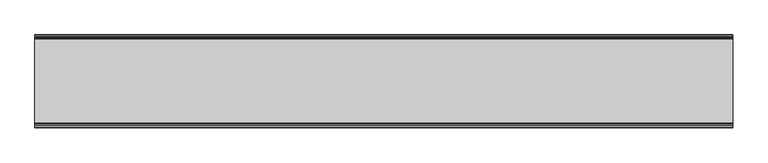
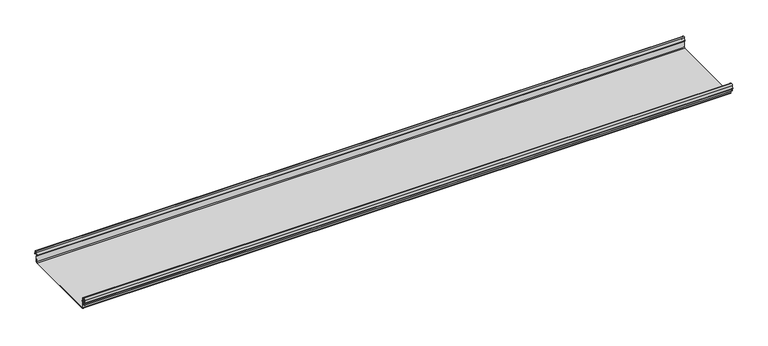
"""IFC4 building model written with IfcOpenShell, lengths in millimetres: beam geometry."""

from ifc_helpers import new_model, si_unit, frame, origin, place, context, project, spatial, polyline, circle_curve, source, transform, mapped, element, save
from ifc_brep_helpers import plane_surface, cylinder_surface, revolved_surface, advanced_brep


def beam_be68fe31(model_context):
    return source(origin(), model_context, "Body", "AdvancedBrep", [
        advanced_brep(
        [(1331.1529572, 174.5298471, 17.4730576), (1331.1529572, 169.9958217, 21.2486363), (1331.1529572, 165.4890072, 17.6093124), (1331.1529572, 163.0420077, 6.2503755), (1331.1529572, 164.7006671, 3.7959761), (1331.1529572, 165.8698319, 2.0849359), (1331.1529572, 164.3793103, -21.3247551), (1331.1529572, 160.6848586, -24.7896475), (1331.1529572, -159.5640942, -24.7896475), (1331.1529572, -163.2568715, -21.3207217), (1331.1529572, -164.7263748, 2.1632779), (1331.1529572, -164.0984471, 3.0966958), (1331.1529572, -161.8868093, 6.1624874), (1331.1529572, -162.770348, 17.3389905), (1331.1529572, -170.0, 24.0196704), (1331.1529572, -177.229652, 17.3389905), (1331.1529572, -178.1131907, 6.1624874), (1331.1529572, -175.9015529, 3.0966958), (1331.1529572, -175.2736252, 2.1632779), (1331.1529572, -175.6653397, -4.0966758), (1331.1529572, -174.6633838, -4.0966758), (1331.1529572, -174.255975, 2.4140875), (1331.1529572, -175.661391, 4.0675496), (1331.1529572, -177.1158116, 6.08368), (1331.1529572, -176.2261211, 17.3379999), (1331.1529572, -170.0, 23.0196704), (1331.1529572, -163.767144, 17.2589936), (1331.1529572, -162.8795452, 6.0037927), (1331.1529572, -164.338609, 4.0675496), (1331.1529572, -165.744025, 2.4140875), (1331.1529572, -164.2549195, -21.3831743), (1331.1529572, -159.5640942, -25.7896475), (1331.1529572, 160.6846135, -25.7896475), (1331.1529572, 165.3772895, -21.3882975), (1331.1529572, 166.868024, 2.0247376), (1331.1529572, 164.9644432, 4.7613501), (1331.1529572, 164.0277999, 6.0779003), (1331.1529572, 166.4434849, 17.2822335), (1331.1529572, 170.0063307, 20.2496221), (1331.1529572, 173.4803249, 17.6539317), (1331.1529572, 175.5075757, 6.5459412), (1331.1529572, 176.5074356, 6.7299959), (-1331.1529572, 174.5298471, 17.4730576), (-1331.1529572, 176.5074356, 6.7299959), (-1331.1529572, 175.5075757, 6.5459412), (-1331.1529572, 173.4803249, 17.6539317), (-1331.1529572, 170.0063307, 20.2496221), (-1331.1529572, 166.4434849, 17.2822335), (-1331.1529572, 164.0277999, 6.0779003), (-1331.1529572, 164.9644432, 4.7613501), (-1331.1529572, 166.868024, 2.0247376), (-1331.1529572, 165.3772895, -21.3882975), (-1331.1529572, 160.6846135, -25.7896475), (-1331.1529572, -159.5640942, -25.7896475), (-1331.1529572, -164.2549195, -21.3831743), (-1331.1529572, -165.744025, 2.4140875), (-1331.1529572, -164.338609, 4.0675496), (-1331.1529572, -162.8795452, 6.0037927), (-1331.1529572, -163.767144, 17.2589936), (-1331.1529572, -170.0, 23.0196704), (-1331.1529572, -176.2261211, 17.3379999), (-1331.1529572, -177.1158116, 6.08368), (-1331.1529572, -175.661391, 4.0675496), (-1331.1529572, -174.255975, 2.4140875), (-1331.1529572, -174.6633838, -4.0966758), (-1331.1529572, -175.6653397, -4.0966758), (-1331.1529572, -175.2736252, 2.1632779), (-1331.1529572, -175.9015529, 3.0966958), (-1331.1529572, -178.1066021, 6.2458324), (-1331.1529572, -177.229652, 17.3389905), (-1331.1529572, -170.0, 24.0196704), (-1331.1529572, -162.770348, 17.3389905), (-1331.1529572, -161.8868093, 6.1624874), (-1331.1529572, -164.0984471, 3.0966958), (-1331.1529572, -164.7263748, 2.1632779), (-1331.1529572, -163.2568715, -21.3207217), (-1331.1529572, -159.5640942, -24.7896475), (-1331.1529572, 160.6848586, -24.7896475), (-1331.1529572, 164.3793103, -21.3247551), (-1331.1529572, 165.8698319, 2.0849359), (-1331.1529572, 164.7006671, 3.7959761), (-1331.1529572, 163.0420077, 6.2503755), (-1331.1529572, 165.4890072, 17.6093124), (-1331.1529572, 169.9958217, 21.2486363)],
        [
            (0, 1, circle_curve(frame((1331.1529572, 169.9958217, 16.6384317), z_axis=(1.0, 0.0, 0.0), x_axis=(0.0, 1.0, 0.0)), 4.6102046)),
            (1, 2, circle_curve(frame((1331.1529572, 169.9958217, 16.6384317), z_axis=(1.0, 0.0, 0.0), x_axis=(0.0, 0.2105938444020083, 0.9775736456656259)), 4.6102046)),
            (2, 3),
            (3, 4, circle_curve(frame((1331.1529572, 165.4262002, 6.073937), z_axis=(1.0, 0.0, 0.0), x_axis=(0.0, -0.9528378408797884, 0.30347989881958104)), 2.3907121)),
            (4, 5, circle_curve(frame((1331.1529572, 164.1897695, 2.1919074), z_axis=(-1.0, 0.0, 0.0), x_axis=(0.0, 0.06354246328302078, 0.9979791357337717)), 1.6834645)),
            (5, 6),
            (6, 7, circle_curve(frame((1331.1529572, 160.6867875, -21.089648), z_axis=(-1.0, 0.0, 0.0), x_axis=(0.0, 0.9999998641088232, -0.0005213274739325337)), 3.7)),
            (7, 8),
            (8, 9, circle_curve(frame((1331.1529572, -159.5640942, -21.0896475), z_axis=(-1.0, 0.0, 0.0), x_axis=(0.0, 0.062452508687223206, -0.9980479368039755)), 3.7)),
            (9, 10),
            (10, 11, circle_curve(frame((1331.1529572, -163.8044049, 2.2209698), z_axis=(-1.0, 0.0, 0.0), x_axis=(0.0, -0.9479881328261025, -0.31830567073314897)), 0.9237732)),
            (11, 12, circle_curve(frame((1331.1529572, -164.7984694, 5.9323112), z_axis=(1.0, 0.0, 0.0), x_axis=(0.0, 0.07880737243916666, -0.9968898625471294)), 2.9207441)),
            (12, 13),
            (13, 14, circle_curve(frame((1331.1529572, -170.0, 16.7674631), z_axis=(1.0, 0.0, 0.0), x_axis=(0.0, 1.0, 0.0)), 7.2522073)),
            (14, 15, circle_curve(frame((1331.1529572, -170.0, 16.7674631), z_axis=(1.0, 0.0, 0.0), x_axis=(0.0, 0.07880737243912425, 0.9968898625471327)), 7.2522073)),
            (15, 16),
            (16, 17, circle_curve(frame((1331.1529572, -175.2001089, 5.9344165), z_axis=(1.0, 0.0, 0.0), x_axis=(0.0, -0.9707819351134729, 0.2399634023290655)), 2.9231288)),
            (17, 18, circle_curve(frame((1331.1529572, -176.1025472, 2.2835649), z_axis=(-1.0, 0.0, 0.0), x_axis=(0.0, 0.14360843272178178, 0.9896345881441257)), 0.8376041)),
            (18, 19),
            (19, 20, circle_curve(frame((1331.1529572, -175.1643617, -4.0966758), z_axis=(1.0, 0.0, 0.0), x_axis=(0.0, 0.0, -1.0)), 0.5009779)),
            (20, 21),
            (21, 22, circle_curve(frame((1331.1529572, -176.1062911, 2.2653702), z_axis=(1.0, 0.0, 0.0), x_axis=(0.0, 0.9708537722163966, -0.23967259537375799)), 1.856283)),
            (22, 23, circle_curve(frame((1331.1529572, -175.2010412, 5.9323112), z_axis=(-1.0, 0.0, 0.0), x_axis=(0.0, -0.07880737243914376, -0.9968898625471312)), 1.9207441)),
            (23, 24),
            (24, 25, circle_curve(frame((1331.1529572, -170.0770494, 16.8518958), z_axis=(-1.0, 0.0, 0.0), x_axis=(0.0, -0.9999219808421378, 0.012491286112139365)), 6.1682558)),
            (25, 26, circle_curve(frame((1331.1529572, -170.0791743, 16.6817991), z_axis=(-1.0, 0.0, 0.0), x_axis=(0.0, -0.09106361391821856, 0.9958450774192508)), 6.3383658)),
            (26, 27),
            (27, 28, circle_curve(frame((1331.1529572, -164.70299, 5.8599936), z_axis=(-1.0, 0.0, 0.0), x_axis=(0.0, 0.9799562955839813, 0.19921259685401593)), 1.8291061)),
            (28, 29, circle_curve(frame((1331.1529572, -163.9886548, 2.3460727), z_axis=(1.0, 0.0, 0.0), x_axis=(0.0, 0.03871763325448635, 0.9992501913310655)), 1.7566874)),
            (29, 30),
            (30, 31, circle_curve(frame((1331.1529572, -159.5640942, -21.0896475), z_axis=(1.0, 0.0, 0.0), x_axis=(0.0, -1.0, 0.0)), 4.7)),
            (31, 32),
            (32, 33, circle_curve(frame((1331.1529572, 160.6846135, -21.0873301), z_axis=(1.0, 0.0, 0.0), x_axis=(0.0, -0.06400407594283139, -0.997949637137418)), 4.7023174)),
            (33, 34),
            (34, 35, circle_curve(frame((1331.1529572, 164.1939121, 2.1950013), z_axis=(1.0, 0.0, 0.0), x_axis=(0.0, 0.9577619201002135, -0.2875623487279797)), 2.6795268)),
            (35, 36, circle_curve(frame((1331.1529572, 165.0972859, 5.8473161), z_axis=(-1.0, 0.0, 0.0), x_axis=(0.0, -0.210759855052358, -0.9775378680635902)), 1.094061)),
            (36, 37),
            (37, 38, circle_curve(frame((1331.1529572, 170.0063307, 16.627032), z_axis=(-1.0, 0.0, 0.0), x_axis=(0.0, -1.0, 0.0)), 3.6225901)),
            (38, 39, circle_curve(frame((1331.1529572, 170.0063307, 16.627032), z_axis=(-1.0, 0.0, 0.0), x_axis=(0.0, -0.2834711363957483, 0.9589807687490417)), 3.6225901)),
            (39, 40),
            (40, 41, circle_curve(frame((1331.1529572, 176.0075057, 6.6379685), z_axis=(1.0, 0.0, 0.0), x_axis=(0.0, 0.18103878268247353, -0.9834759575937014)), 0.5083296)),
            (41, 0),
            (42, 43),
            (43, 44, circle_curve(frame((-1331.1529572, 176.0075057, 6.6379685), z_axis=(-1.0, 0.0, 0.0), x_axis=(0.0, 0.18103878268247353, -0.9834759575937014)), 0.5083296)),
            (44, 45),
            (45, 46, circle_curve(frame((-1331.1529572, 170.0063307, 16.627032), z_axis=(1.0, 0.0, 0.0), x_axis=(0.0, -0.2834711363957483, 0.9589807687490417)), 3.6225901)),
            (46, 47, circle_curve(frame((-1331.1529572, 170.0063307, 16.627032), z_axis=(1.0, 0.0, 0.0), x_axis=(0.0, -1.0, 0.0)), 3.6225901)),
            (47, 48),
            (48, 49, circle_curve(frame((-1331.1529572, 165.0972859, 5.8473161), z_axis=(1.0, 0.0, 0.0), x_axis=(0.0, -0.210759855052358, -0.9775378680635902)), 1.094061)),
            (49, 50, circle_curve(frame((-1331.1529572, 164.1939121, 2.1950013), z_axis=(-1.0, 0.0, 0.0), x_axis=(0.0, 0.9577619201002135, -0.2875623487279797)), 2.6795268)),
            (50, 51),
            (51, 52, circle_curve(frame((-1331.1529572, 160.6846135, -21.0873301), z_axis=(-1.0, 0.0, 0.0), x_axis=(0.0, -0.06400407594283139, -0.997949637137418)), 4.7023174)),
            (52, 53),
            (53, 54, circle_curve(frame((-1331.1529572, -159.5640942, -21.0896475), z_axis=(-1.0, 0.0, 0.0), x_axis=(0.0, -1.0, 0.0)), 4.7)),
            (54, 55),
            (55, 56, circle_curve(frame((-1331.1529572, -163.9886548, 2.3460727), z_axis=(-1.0, 0.0, 0.0), x_axis=(0.0, 0.03871763325448635, 0.9992501913310655)), 1.7566874)),
            (56, 57, circle_curve(frame((-1331.1529572, -164.70299, 5.8599936), z_axis=(1.0, 0.0, 0.0), x_axis=(0.0, 0.9799562955839813, 0.19921259685401593)), 1.8291061)),
            (57, 58),
            (58, 59, circle_curve(frame((-1331.1529572, -170.0791743, 16.6817991), z_axis=(1.0, 0.0, 0.0), x_axis=(0.0, -0.09106361391821856, 0.9958450774192508)), 6.3383658)),
            (59, 60, circle_curve(frame((-1331.1529572, -170.0770494, 16.8518958), z_axis=(1.0, 0.0, 0.0), x_axis=(0.0, -0.9999219808421378, 0.012491286112139365)), 6.1682558)),
            (60, 61),
            (61, 62, circle_curve(frame((-1331.1529572, -175.2010412, 5.9323112), z_axis=(1.0, 0.0, 0.0), x_axis=(0.0, -0.07880737243914376, -0.9968898625471312)), 1.9207441)),
            (62, 63, circle_curve(frame((-1331.1529572, -176.1062911, 2.2653702), z_axis=(-1.0, 0.0, 0.0), x_axis=(0.0, 0.9708537722163966, -0.23967259537375799)), 1.856283)),
            (63, 64),
            (64, 65, circle_curve(frame((-1331.1529572, -175.1643617, -4.0966758), z_axis=(-1.0, 0.0, 0.0), x_axis=(0.0, 0.0, -1.0)), 0.5009779)),
            (65, 66),
            (66, 67, circle_curve(frame((-1331.1529572, -176.1025472, 2.2835649), z_axis=(1.0, 0.0, 0.0), x_axis=(0.0, 0.14360843272178178, 0.9896345881441257)), 0.8376041)),
            (67, 68, circle_curve(frame((-1331.1529572, -175.2001089, 5.9344165), z_axis=(-1.0, 0.0, 0.0), x_axis=(0.0, -0.9707819351134729, 0.2399634023290655)), 2.9231288)),
            (68, 69),
            (69, 70, circle_curve(frame((-1331.1529572, -170.0, 16.7674631), z_axis=(-1.0, 0.0, 0.0), x_axis=(0.0, 0.07880737243912425, 0.9968898625471327)), 7.2522073)),
            (70, 71, circle_curve(frame((-1331.1529572, -170.0, 16.7674631), z_axis=(-1.0, 0.0, 0.0), x_axis=(0.0, 1.0, 0.0)), 7.2522073)),
            (71, 72),
            (72, 73, circle_curve(frame((-1331.1529572, -164.7984694, 5.9323112), z_axis=(-1.0, 0.0, 0.0), x_axis=(0.0, 0.07880737243916666, -0.9968898625471294)), 2.9207441)),
            (73, 74, circle_curve(frame((-1331.1529572, -163.8044049, 2.2209698), z_axis=(1.0, 0.0, 0.0), x_axis=(0.0, -0.9479881328261025, -0.31830567073314897)), 0.9237732)),
            (74, 75),
            (75, 76, circle_curve(frame((-1331.1529572, -159.5640942, -21.0896475), z_axis=(1.0, 0.0, 0.0), x_axis=(0.0, 0.062452508687223206, -0.9980479368039755)), 3.7)),
            (76, 77),
            (77, 78, circle_curve(frame((-1331.1529572, 160.6867875, -21.089648), z_axis=(1.0, 0.0, 0.0), x_axis=(0.0, 0.9999998641088232, -0.0005213274739325337)), 3.7)),
            (78, 79),
            (79, 80, circle_curve(frame((-1331.1529572, 164.1897695, 2.1919074), z_axis=(1.0, 0.0, 0.0), x_axis=(0.0, 0.06354246328302078, 0.9979791357337717)), 1.6834645)),
            (80, 81, circle_curve(frame((-1331.1529572, 165.4262002, 6.073937), z_axis=(-1.0, 0.0, 0.0), x_axis=(0.0, -0.9528378408797884, 0.30347989881958104)), 2.3907121)),
            (81, 82),
            (82, 83, circle_curve(frame((-1331.1529572, 169.9958217, 16.6384317), z_axis=(-1.0, 0.0, 0.0), x_axis=(0.0, 0.2105938444020083, 0.9775736456656259)), 4.6102046)),
            (83, 42, circle_curve(frame((-1331.1529572, 169.9958217, 16.6384317), z_axis=(-1.0, 0.0, 0.0), x_axis=(0.0, 1.0, 0.0)), 4.6102046)),
            (42, 0),
            (41, 43),
            (40, 44),
            (39, 45),
            (38, 46),
            (37, 47),
            (36, 48),
            (35, 49),
            (34, 50),
            (33, 51),
            (32, 52),
            (31, 53),
            (30, 54),
            (29, 55),
            (28, 56),
            (27, 57),
            (26, 58),
            (25, 59),
            (24, 60),
            (23, 61),
            (22, 62),
            (21, 63),
            (20, 64),
            (19, 65),
            (18, 66),
            (17, 67),
            (16, 68),
            (15, 69),
            (14, 70),
            (13, 71),
            (12, 72),
            (11, 73),
            (10, 74),
            (9, 75),
            (8, 76),
            (7, 77),
            (6, 78),
            (5, 79),
            (4, 80),
            (3, 81),
            (2, 82),
            (1, 83),
        ],
        [
            plane_surface(frame((1331.1529572, 176.5074356, 6.7299959), z_axis=(1.0000000000000002, 0.0, 0.0), x_axis=(0.0, -0.18103878268248824, 0.9834759575936989))),
            plane_surface(frame((-1331.1529572, 176.5074356, 6.7299959), z_axis=(-1.0000000000000002, 0.0, 0.0), x_axis=(0.0, 0.18103878268248824, -0.9834759575936989))),
            plane_surface(frame((1331.1529572, 175.5186413, 12.1015267), z_axis=(0.0, 0.9834759575937931, 0.18103878268197598), x_axis=(0.0, 0.18103878268197598, -0.9834759575937931))),
            cylinder_surface(frame((1331.1529572, 176.0075057, 6.6379685), z_axis=(-1.0, 0.0, 0.0), x_axis=(0.0, 0.18103878268247353, -0.9834759575937014)), 0.5083296),
            plane_surface(frame((1331.1529572, 174.4939503, 12.0999365), z_axis=(0.0, -0.9837509798366516, -0.17953832368168063), x_axis=(0.0, -0.17953832368168063, 0.9837509798366516))),
            revolved_surface(polyline([(-1331.1529572, 168.979430967657, 20.101026238960667), (1331.1529572, 168.979430967657, 20.101026238960667)]), (1331.1529572, 170.0063307, 16.627032), (-1.0, 0.0, 0.0)),
            revolved_surface(polyline([(-1331.1529572, 166.3837406, 16.627032), (1331.1529572, 166.3837406, 16.627032)]), (1331.1529572, 170.0063307, 16.627032), (-1.0, 0.0, 0.0)),
            plane_surface(frame((1331.1529572, 165.2356424, 11.6800669), z_axis=(0.0, 0.9775378680634891, -0.2107598550528272), x_axis=(0.0, -0.2107598550528272, -0.9775378680634891))),
            revolved_surface(polyline([(-1331.1529572, 164.86670176222157, 4.77783004252848), (1331.1529572, 164.86670176222157, 4.77783004252848)]), (1331.1529572, 165.0972859, 5.8473161), (-1.0, 0.0, 0.0)),
            cylinder_surface(frame((1331.1529572, 164.1939121, 2.1950013), z_axis=(-1.0, 0.0, 0.0), x_axis=(0.0, 0.9577619201002135, -0.2875623487279797)), 2.6795268),
            plane_surface(frame((1331.1529572, 166.1226567, -9.68178), z_axis=(0.0, 0.9979791357337514, -0.06354246328334037), x_axis=(0.0, -0.06354246328334037, -0.9979791357337514))),
            cylinder_surface(frame((1331.1529572, 160.6846135, -21.0873301), z_axis=(-1.0, 0.0, 0.0), x_axis=(0.0, -0.06400407594283139, -0.997949637137418)), 4.7023174),
            plane_surface(frame((1331.1529572, 0.5602597, -25.7896475), z_axis=(0.0, 0.0, -1.0), x_axis=(0.0, -1.0, 0.0))),
            cylinder_surface(frame((1331.1529572, -159.5640942, -21.0896475), z_axis=(-1.0, 0.0, 0.0), x_axis=(0.0, -1.0, 0.0)), 4.7),
            plane_surface(frame((1331.1529572, -164.9994722, -9.4845434), z_axis=(0.0, -0.99804793680396, -0.06245250868747398), x_axis=(0.0, -0.06245250868747398, 0.99804793680396))),
            cylinder_surface(frame((1331.1529572, -163.9886548, 2.3460727), z_axis=(-1.0, 0.0, 0.0), x_axis=(0.0, 0.03871763325448635, 0.9992501913310655)), 1.7566874),
            revolved_surface(polyline([(-1331.1529572, -162.91054596201394, 6.224374576102521), (1331.1529572, -162.91054596201394, 6.224374576102521)]), (1331.1529572, -164.70299, 5.8599936), (-1.0, 0.0, 0.0)),
            plane_surface(frame((1331.1529572, -163.3233446, 11.6313931), z_axis=(0.0, -0.9969048840807634, -0.07861712342689589), x_axis=(0.0, -0.07861712342689589, 0.9969048840807634))),
            revolved_surface(polyline([(-1331.1529572, -170.65636879608365, 22.99382948081253), (1331.1529572, -170.65636879608365, 22.99382948081253)]), (1331.1529572, -170.0791743, 16.6817991), (-1.0, 0.0, 0.0)),
            revolved_surface(polyline([(-1331.1529572, -176.244823957877, 16.928945248010663), (1331.1529572, -176.244823957877, 16.928945248010663)]), (1331.1529572, -170.0770494, 16.8518958), (-1.0, 0.0, 0.0)),
            plane_surface(frame((1331.1529572, -176.6709664, 11.71084), z_axis=(0.0, 0.9968898625470921, -0.07880737243963815), x_axis=(0.0, -0.07880737243963815, -0.9968898625470921))),
            revolved_surface(polyline([(-1331.1529572, -175.35240999564897, 4.017540878162787), (1331.1529572, -175.35240999564897, 4.017540878162787)]), (1331.1529572, -175.2010412, 5.9323112), (-1.0, 0.0, 0.0)),
            cylinder_surface(frame((1331.1529572, -176.1062911, 2.2653702), z_axis=(-1.0, 0.0, 0.0), x_axis=(0.0, 0.9708537722163966, -0.23967259537375799)), 1.856283),
            plane_surface(frame((1331.1529572, -174.4596794, -0.8412941), z_axis=(0.0, 0.9980479368039222, -0.06245250868807452), x_axis=(0.0, -0.06245250868807452, -0.9980479368039222))),
            cylinder_surface(frame((1331.1529572, -175.1643617, -4.0966758), z_axis=(-1.0, 0.0, 0.0), x_axis=(0.0, 0.0, -1.0)), 0.5009779),
            plane_surface(frame((1331.1529572, -175.4694824, -0.9666989), z_axis=(0.0, -0.9980479368040358, 0.06245250868626084), x_axis=(0.0, 0.06245250868626084, 0.9980479368040358))),
            revolved_surface(polyline([(-1331.1529572, -175.98226018795768, 3.112486888531331), (1331.1529572, -175.98226018795768, 3.112486888531331)]), (1331.1529572, -176.1025472, 2.2835649), (-1.0, 0.0, 0.0)),
            cylinder_surface(frame((1331.1529572, -175.2001089, 5.9344165), z_axis=(-1.0, 0.0, 0.0), x_axis=(0.0, -0.9707819351134729, 0.2399634023290655)), 2.9231288),
            plane_surface(frame((1331.1529572, -177.6714214, 11.7507389), z_axis=(0.0, -0.9968898625471735, 0.07880737243860966), x_axis=(0.0, 0.07880737243860966, 0.9968898625471735))),
            cylinder_surface(frame((1331.1529572, -170.0, 16.7674631), z_axis=(-1.0, 0.0, 0.0), x_axis=(0.0, 0.07880737243912425, 0.9968898625471327)), 7.2522073),
            cylinder_surface(frame((1331.1529572, -170.0, 16.7674631), z_axis=(-1.0, 0.0, 0.0), x_axis=(0.0, 1.0, 0.0)), 7.2522073),
            plane_surface(frame((1331.1529572, -162.3285786, 11.7507389), z_axis=(0.0, 0.9968898625471712, 0.07880737243863836), x_axis=(0.0, 0.07880737243863836, -0.9968898625471712))),
            cylinder_surface(frame((1331.1529572, -164.7984694, 5.9323112), z_axis=(-1.0, 0.0, 0.0), x_axis=(0.0, 0.07880737243916666, -0.9968898625471294)), 2.9207441),
            revolved_surface(polyline([(-1331.1529572, -164.6801309310228, 1.9269275519686928), (1331.1529572, -164.6801309310228, 1.9269275519686928)]), (1331.1529572, -163.8044049, 2.2209698), (-1.0, 0.0, 0.0)),
            plane_surface(frame((1331.1529572, -163.9916232, -9.5787219), z_axis=(0.0, 0.9980479368039906, 0.0624525086869835), x_axis=(0.0, 0.0624525086869835, -0.9980479368039906))),
            revolved_surface(polyline([(-1331.1529572, -159.33301991785729, -24.78242486617471), (1331.1529572, -159.33301991785729, -24.78242486617471)]), (1331.1529572, -159.5640942, -21.0896475), (-1.0, 0.0, 0.0)),
            plane_surface(frame((1331.1529572, 0.5603822, -24.7896475), z_axis=(0.0, 0.0, 1.0), x_axis=(0.0, 1.0, 0.0))),
            revolved_surface(polyline([(-1331.1529572, 164.38678699720265, -21.09157691165355), (1331.1529572, 164.38678699720265, -21.09157691165355)]), (1331.1529572, 160.6867875, -21.089648), (-1.0, 0.0, 0.0)),
            plane_surface(frame((1331.1529572, 165.1245711, -9.6199096), z_axis=(0.0, -0.9979791357337828, 0.06354246328284598), x_axis=(0.0, 0.06354246328284598, 0.9979791357337828))),
            revolved_surface(polyline([(-1331.1529572, 164.29674098117954, 3.871969846748486), (1331.1529572, 164.29674098117954, 3.871969846748486)]), (1331.1529572, 164.1897695, 2.1919074), (-1.0, 0.0, 0.0)),
            cylinder_surface(frame((1331.1529572, 165.4262002, 6.073937), z_axis=(-1.0, 0.0, 0.0), x_axis=(0.0, -0.9528378408797884, 0.30347989881958104)), 2.3907121),
            plane_surface(frame((1331.1529572, 164.2655075, 11.929844), z_axis=(0.0, -0.9775736456657296, 0.21059384440152715), x_axis=(0.0, 0.21059384440152715, 0.9775736456657296))),
            cylinder_surface(frame((1331.1529572, 169.9958217, 16.6384317), z_axis=(-1.0, 0.0, 0.0), x_axis=(0.0, 0.2105938444020083, 0.9775736456656259)), 4.6102046),
            cylinder_surface(frame((1331.1529572, 169.9958217, 16.6384317), z_axis=(-1.0, 0.0, 0.0), x_axis=(0.0, 1.0, 0.0)), 4.6102046),
        ],
        [
            (0, [[1, 2, 3, 4, 5, 6, 7, 8, 9, 10, 11, 12, 13, 14, 15, 16, 17, 18, 19, 20, 21, 22, 23, 24, 25, 26, 27, 28, 29, 30, 31, 32, 33, 34, 35, 36, 37, 38, 39, 40, 41, 42]]),
            (1, [[43, 44, 45, 46, 47, 48, 49, 50, 51, 52, 53, 54, 55, 56, 57, 58, 59, 60, 61, 62, 63, 64, 65, 66, 67, 68, 69, 70, 71, 72, 73, 74, 75, 76, 77, 78, 79, 80, 81, 82, 83, 84]]),
            (2, [[-43, 85, -42, 86]]),
            (3, [[-44, -86, -41, 87]]),
            (4, [[-45, -87, -40, 88]]),
            (5, [[-46, -88, -39, 89]]),
            (6, [[-47, -89, -38, 90]]),
            (7, [[-48, -90, -37, 91]]),
            (8, [[-49, -91, -36, 92]]),
            (9, [[-50, -92, -35, 93]]),
            (10, [[-51, -93, -34, 94]]),
            (11, [[-52, -94, -33, 95]]),
            (12, [[-53, -95, -32, 96]]),
            (13, [[-54, -96, -31, 97]]),
            (14, [[-55, -97, -30, 98]]),
            (15, [[-56, -98, -29, 99]]),
            (16, [[-57, -99, -28, 100]]),
            (17, [[-58, -100, -27, 101]]),
            (18, [[-59, -101, -26, 102]]),
            (19, [[-60, -102, -25, 103]]),
            (20, [[-61, -103, -24, 104]]),
            (21, [[-62, -104, -23, 105]]),
            (22, [[-63, -105, -22, 106]]),
            (23, [[-64, -106, -21, 107]]),
            (24, [[-65, -107, -20, 108]]),
            (25, [[-66, -108, -19, 109]]),
            (26, [[-67, -109, -18, 110]]),
            (27, [[-68, -110, -17, 111]]),
            (28, [[-69, -111, -16, 112]]),
            (29, [[-70, -112, -15, 113]]),
            (30, [[-71, -113, -14, 114]]),
            (31, [[-72, -114, -13, 115]]),
            (32, [[-73, -115, -12, 116]]),
            (33, [[-74, -116, -11, 117]]),
            (34, [[-75, -117, -10, 118]]),
            (35, [[-76, -118, -9, 119]]),
            (36, [[-77, -119, -8, 120]]),
            (37, [[-78, -120, -7, 121]]),
            (38, [[-79, -121, -6, 122]]),
            (39, [[-80, -122, -5, 123]]),
            (40, [[-81, -123, -4, 124]]),
            (41, [[-82, -124, -3, 125]]),
            (42, [[-83, -125, -2, 126]]),
            (43, [[-84, -126, -1, -85]]),
        ],
    ),
    ])


if __name__ == "__main__":
    model = new_model("IFC4")
    model_context = context("Model", 3, world=origin())
    ifc_project = project(units=[si_unit("LENGTHUNIT", "METRE", prefix="MILLI")], contexts=[model_context])
    site = spatial("IfcSite", under=ifc_project)
    building = spatial("IfcBuilding", under=site)
    placement = place(None, origin())
    beam_shape = beam_be68fe31(model_context)
    element("IfcBeam", 1, at=placement, inside=building, context=model_context, shape_type="MappedRepresentation", body=[
        mapped(beam_shape, transform((0.0, 0.0, 0.0), x_axis=(1.0, 0.0, 0.0), y_axis=(0.0, 1.0, 0.0), z_axis=(0.0, 0.0, 1.0))),
    ])
    save(model, "model.ifc")
